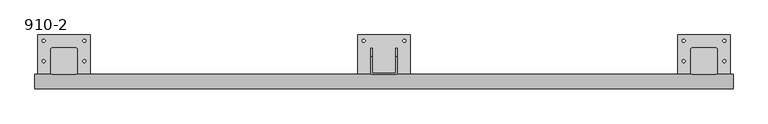
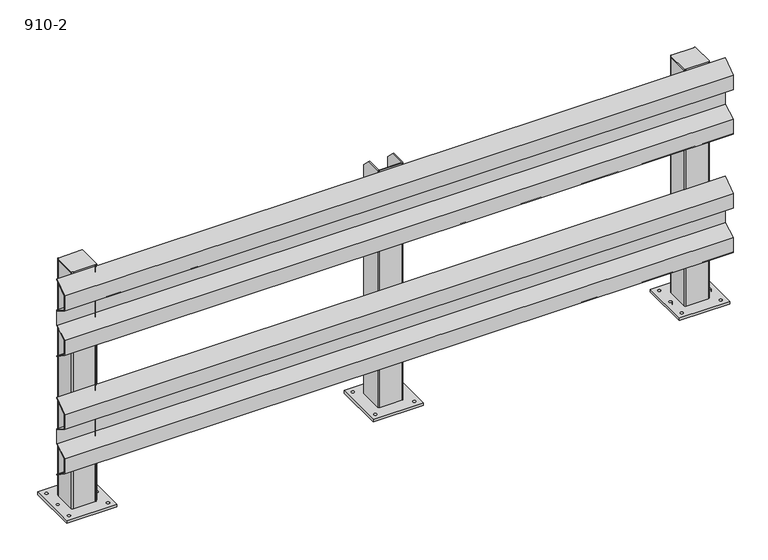
"""IFC4 building model written with IfcOpenShell, lengths in millimetres: proxy geometry, 910-2."""

from ifc_helpers import new_model, si_unit, point, frame, frame_2d, origin, origin_with_axes, place, context, project, spatial, polyline, circle_curve, trimmed, segment, composite_curve, outline, extrude, source, transform, mapped, element, save
from ifc_brep_helpers import plane_surface, cylinder_surface, revolved_surface, advanced_brep


def proxy_910_2_c6014837(model_context):
    return source(origin(), model_context, "Body", "SolidModel", [
        extrude(outline(polyline([(-45.0, 452.5500027), (-93.0, 418.5877822), (-93.0, 364.6001053), (-45.0, 336.1623259), (-45.0, 278.8381046), (-93.0, 250.4408827), (-93.0, 196.3636576), (-45.0, 162.4488566), (-45.0, 160.0), (-95.0, 195.3279177), (-95.0, 251.581456), (-47.0, 279.9786778), (-47.0, 335.0225816), (-95.0, 363.4603611), (-95.0, 419.622687), (-45.0, 455.0), (-45.0, 452.5500027)])), frame((-100.0, 0.0, 0.0), z_axis=(1.0, 0.0, 0.0), x_axis=(0.0, 1.0, 0.0)), (0.0, 0.0, 1.0), 2400.0),
        extrude(outline(polyline([(-45.0, 902.5500027), (-93.0, 868.5877822), (-93.0, 814.6001053), (-45.0, 786.1623259), (-45.0, 728.8381046), (-93.0, 700.4408827), (-93.0, 646.3636576), (-45.0, 612.4488566), (-45.0, 610.0), (-95.0, 645.3279177), (-95.0, 701.581456), (-47.0, 729.9786778), (-47.0, 785.0225816), (-95.0, 813.4603611), (-95.0, 869.622687), (-45.0, 905.0), (-45.0, 902.5500027)])), frame((-100.0, 0.0, 0.0), z_axis=(1.0, 0.0, 0.0), x_axis=(0.0, 1.0, 0.0)), (0.0, 0.0, 1.0), 2400.0),
        advanced_brep(
        [(1141.0, -45.0, 910.0), (1145.0, -41.0, 910.0), (1145.0, 15.0, 910.0), (1141.0, 15.0, 910.0), (1141.0, -39.0, 910.0), (1139.0, -41.0, 910.0), (1061.0, -41.0, 910.0), (1059.0, -39.0, 910.0), (1059.0, 15.0, 910.0), (1055.0, 15.0, 910.0), (1055.0, -41.0, 910.0), (1059.0, -45.0, 910.0), (1141.0, -45.0, 10.0), (1059.0, -45.0, 10.0), (1055.0, -41.0, 10.0), (1055.0, 45.0, 10.0), (1059.0, 45.0, 10.0), (1059.0, -39.0, 10.0), (1061.0, -41.0, 10.0), (1139.0, -41.0, 10.0), (1141.0, -39.0, 10.0), (1141.0, 45.0, 10.0), (1145.0, 45.0, 10.0), (1145.0, -41.0, 10.0), (1145.0, 45.0, 880.0), (1141.0, 45.0, 880.0), (1059.0, 45.0, 880.0), (1055.0, 45.0, 880.0)],
        [
            (0, 1, circle_curve(frame((1141.0, -41.0, 910.0), z_axis=(0.0, 0.0, 1.0), x_axis=(-1.0, 0.0, 0.0)), 4.0)),
            (1, 2),
            (2, 3),
            (3, 4),
            (4, 5, circle_curve(frame((1139.0, -39.0, 910.0), z_axis=(0.0, 0.0, -1.0), x_axis=(-1.0, 0.0, 0.0)), 2.0)),
            (5, 6),
            (6, 7, circle_curve(frame((1061.0, -39.0, 910.0), z_axis=(0.0, 0.0, -1.0), x_axis=(-1.0, 0.0, 0.0)), 2.0)),
            (7, 8),
            (8, 9),
            (9, 10),
            (10, 11, circle_curve(frame((1059.0, -41.0, 910.0), z_axis=(0.0, 0.0, 1.0), x_axis=(-1.0, 0.0, 0.0)), 4.0)),
            (11, 0),
            (12, 13),
            (13, 14, circle_curve(frame((1059.0, -41.0, 10.0), z_axis=(0.0, 0.0, -1.0), x_axis=(-1.0, 0.0, 0.0)), 4.0)),
            (14, 15),
            (15, 16),
            (16, 17),
            (17, 18, circle_curve(frame((1061.0, -39.0, 10.0), z_axis=(0.0, 0.0, 1.0), x_axis=(-1.0, 0.0, 0.0)), 2.0)),
            (18, 19),
            (19, 20, circle_curve(frame((1139.0, -39.0, 10.0), z_axis=(0.0, 0.0, 1.0), x_axis=(-1.0, 0.0, 0.0)), 2.0)),
            (20, 21),
            (21, 22),
            (22, 23),
            (23, 12, circle_curve(frame((1141.0, -41.0, 10.0), z_axis=(0.0, 0.0, -1.0), x_axis=(-1.0, 0.0, 0.0)), 4.0)),
            (0, 12),
            (23, 1),
            (22, 24),
            (24, 2),
            (21, 25),
            (25, 24),
            (20, 4),
            (3, 25),
            (5, 19),
            (18, 6),
            (17, 7),
            (16, 26),
            (26, 8),
            (15, 27),
            (27, 26),
            (14, 10),
            (9, 27),
            (13, 11),
        ],
        [
            plane_surface(frame((1137.0, -41.0, 910.0), z_axis=(0.0, 0.0, 1.0), x_axis=(0.0, -1.0, 0.0))),
            plane_surface(frame((1137.0, -41.0, 10.0), z_axis=(0.0, 0.0, -1.0), x_axis=(0.0, 1.0, 0.0))),
            cylinder_surface(frame((1141.0, -41.0, 10.0), z_axis=(0.0, 0.0, 1.0), x_axis=(-1.0, 0.0, 0.0)), 4.0),
            plane_surface(frame((1145.0, -41.0, 910.0), z_axis=(1.0, 0.0, 0.0), x_axis=(0.0, 0.0, -1.0))),
            plane_surface(frame((1145.0, 45.0, 910.0), z_axis=(0.0, 1.0, 0.0), x_axis=(0.0, 0.0, -1.0))),
            plane_surface(frame((1141.0, 45.0, 910.0), z_axis=(-1.0, 0.0, 0.0), x_axis=(0.0, 0.0, -1.0))),
            plane_surface(frame((1139.0, -41.0, 910.0), z_axis=(0.0, 1.0, 0.0), x_axis=(0.0, 0.0, -1.0))),
            revolved_surface(polyline([(1059.0, -39.0, 10.0), (1059.0, -39.0, 910.0)]), (1061.0, -39.0, 10.0), (0.0, 0.0, -1.0)),
            plane_surface(frame((1059.0, -39.0, 910.0), z_axis=(1.0, 0.0, 0.0), x_axis=(0.0, 0.0, -1.0))),
            plane_surface(frame((1059.0, 45.0, 910.0), z_axis=(0.0, 1.0, 0.0), x_axis=(0.0, 0.0, -1.0))),
            plane_surface(frame((1055.0, 45.0, 910.0), z_axis=(-1.0, 0.0, 0.0), x_axis=(0.0, 0.0, -1.0))),
            cylinder_surface(frame((1059.0, -41.0, 10.0), z_axis=(0.0, 0.0, 1.0), x_axis=(-1.0, 0.0, 0.0)), 4.0),
            plane_surface(frame((1059.0, -45.0, 910.0), z_axis=(0.0, -1.0, 0.0), x_axis=(0.0, 0.0, -1.0))),
            plane_surface(frame((1145.0, 15.0, 910.0), z_axis=(0.0, 0.7071067811865482, 0.7071067811865469), x_axis=(-1.0, 0.0, 0.0))),
            plane_surface(frame((1059.0, 15.0, 910.0), z_axis=(0.0, 0.7071067811865539, 0.7071067811865411), x_axis=(-1.0, 0.0, 0.0))),
            revolved_surface(polyline([(1137.0, -39.0, 10.0), (1137.0, -39.0, 910.0)]), (1139.0, -39.0, 10.0), (0.0, 0.0, -1.0)),
        ],
        [
            (0, [[1, 2, 3, 4, 5, 6, 7, 8, 9, 10, 11, 12]]),
            (1, [[13, 14, 15, 16, 17, 18, 19, 20, 21, 22, 23, 24]]),
            (2, [[-1, 25, -24, 26]]),
            (3, [[-23, 27, 28, -2, -26]]),
            (4, [[-22, 29, 30, -27]]),
            (5, [[-21, 31, -4, 32, -29]]),
            (6, [[-6, 33, -19, 34]]),
            (7, [[-7, -34, -18, 35]]),
            (8, [[-17, 36, 37, -8, -35]]),
            (9, [[-16, 38, 39, -36]]),
            (10, [[-15, 40, -10, 41, -38]]),
            (11, [[-11, -40, -14, 42]]),
            (12, [[-12, -42, -13, -25]]),
            (13, [[-3, -28, -30, -32]]),
            (14, [[-9, -37, -39, -41]]),
            (15, [[-5, -31, -20, -33]]),
        ],
    ),
        extrude(outline(polyline([(1190.0, 90.0), (1190.0, -90.0), (1010.0, -90.0), (1010.0, 90.0), (1190.0, 90.0)]), holes=[composite_curve([segment(trimmed(circle_curve(frame_2d((1030.0, 70.0)), 5.0), [point((1025.0, 70.0))], [point((1035.0, 70.0))], True, "CARTESIAN"), True, "CONTINUOUS"), segment(trimmed(circle_curve(frame_2d((1030.0, 70.0)), 5.0), [point((1035.0, 70.0))], [point((1025.0, 70.0))], True, "CARTESIAN"), True, "CONTINUOUS")], self_intersect=False), composite_curve([segment(trimmed(circle_curve(frame_2d((1170.0, 70.0)), 5.0), [point((1165.0, 70.0))], [point((1175.0, 70.0))], True, "CARTESIAN"), True, "CONTINUOUS"), segment(trimmed(circle_curve(frame_2d((1170.0, 70.0)), 5.0), [point((1175.0, 70.0))], [point((1165.0, 70.0))], True, "CARTESIAN"), True, "CONTINUOUS")], self_intersect=False), composite_curve([segment(trimmed(circle_curve(frame_2d((1030.0, -70.0)), 5.0), [point((1025.0, -70.0))], [point((1035.0, -70.0))], True, "CARTESIAN"), True, "CONTINUOUS"), segment(trimmed(circle_curve(frame_2d((1030.0, -70.0)), 5.0), [point((1035.0, -70.0))], [point((1025.0, -70.0))], True, "CARTESIAN"), True, "CONTINUOUS")], self_intersect=False), composite_curve([segment(trimmed(circle_curve(frame_2d((1170.0, -70.0)), 5.0), [point((1165.0, -70.0))], [point((1175.0, -70.0))], True, "CARTESIAN"), True, "CONTINUOUS"), segment(trimmed(circle_curve(frame_2d((1170.0, -70.0)), 5.0), [point((1175.0, -70.0))], [point((1165.0, -70.0))], True, "CARTESIAN"), True, "CONTINUOUS")], self_intersect=False)]), origin_with_axes(), (0.0, 0.0, 1.0), 10.0),
        extrude(outline(composite_curve([segment(trimmed(circle_curve(frame_2d((2241.0, 41.0)), 4.0), [point((2241.0, 45.0))], [point((2245.0, 41.0))], False, "CARTESIAN"), True, "CONTINUOUS"), segment(polyline([(2245.0, 41.0), (2245.0, -41.0)]), True, "CONTINUOUS"), segment(trimmed(circle_curve(frame_2d((2241.0, -41.0)), 4.0), [point((2245.0, -41.0))], [point((2241.0, -45.0))], False, "CARTESIAN"), True, "CONTINUOUS"), segment(polyline([(2241.0, -45.0), (2159.0, -45.0)]), True, "CONTINUOUS"), segment(trimmed(circle_curve(frame_2d((2159.0, -41.0)), 4.0), [point((2159.0, -45.0))], [point((2155.0, -41.0))], False, "CARTESIAN"), True, "CONTINUOUS"), segment(polyline([(2155.0, -41.0), (2155.0, 41.0)]), True, "CONTINUOUS"), segment(trimmed(circle_curve(frame_2d((2159.0, 41.0)), 4.0), [point((2155.0, 41.0))], [point((2159.0, 45.0))], False, "CARTESIAN"), True, "CONTINUOUS"), segment(polyline([(2159.0, 45.0), (2241.0, 45.0)]), True, "CONTINUOUS")], self_intersect=False)), frame((0.0, 0.0, 905.0), z_axis=(0.0, 0.0, 1.0), x_axis=(1.0, 0.0, 0.0)), (0.0, 0.0, 1.0), 5.0),
        extrude(outline(composite_curve([segment(polyline([(2155.0, -41.0), (2155.0, 41.0)]), True, "CONTINUOUS"), segment(trimmed(circle_curve(frame_2d((2159.0, 41.0)), 4.0), [point((2155.0, 41.0))], [point((2159.0, 45.0))], False, "CARTESIAN"), True, "CONTINUOUS"), segment(polyline([(2159.0, 45.0), (2241.0, 45.0)]), True, "CONTINUOUS"), segment(trimmed(circle_curve(frame_2d((2241.0, 41.0)), 4.0), [point((2241.0, 45.0))], [point((2245.0, 41.0))], False, "CARTESIAN"), True, "CONTINUOUS"), segment(polyline([(2245.0, 41.0), (2245.0, -41.0)]), True, "CONTINUOUS"), segment(trimmed(circle_curve(frame_2d((2241.0, -41.0)), 4.0), [point((2245.0, -41.0))], [point((2241.0, -45.0))], False, "CARTESIAN"), True, "CONTINUOUS"), segment(polyline([(2241.0, -45.0), (2159.0, -45.0)]), True, "CONTINUOUS"), segment(trimmed(circle_curve(frame_2d((2159.0, -41.0)), 4.0), [point((2159.0, -45.0))], [point((2155.0, -41.0))], False, "CARTESIAN"), True, "CONTINUOUS")], self_intersect=False), holes=[composite_curve([segment(polyline([(2239.0, 41.0), (2161.0, 41.0)]), True, "CONTINUOUS"), segment(trimmed(circle_curve(frame_2d((2161.0, 39.0)), 2.0), [point((2161.0, 41.0))], [point((2159.0, 39.0))], True, "CARTESIAN"), True, "CONTINUOUS"), segment(polyline([(2159.0, 39.0), (2159.0, -39.0)]), True, "CONTINUOUS"), segment(trimmed(circle_curve(frame_2d((2161.0, -39.0)), 2.0), [point((2159.0, -39.0))], [point((2161.0, -41.0))], True, "CARTESIAN"), True, "CONTINUOUS"), segment(polyline([(2161.0, -41.0), (2239.0, -41.0)]), True, "CONTINUOUS"), segment(trimmed(circle_curve(frame_2d((2239.0, -39.0)), 2.0), [point((2239.0, -41.0))], [point((2241.0, -39.0))], True, "CARTESIAN"), True, "CONTINUOUS"), segment(polyline([(2241.0, -39.0), (2241.0, 39.0)]), True, "CONTINUOUS"), segment(trimmed(circle_curve(frame_2d((2239.0, 39.0)), 2.0), [point((2241.0, 39.0))], [point((2239.0, 41.0))], True, "CARTESIAN"), True, "CONTINUOUS")], self_intersect=False)]), frame((0.0, 0.0, 10.0), z_axis=(0.0, 0.0, 1.0), x_axis=(1.0, 0.0, 0.0)), (0.0, 0.0, 1.0), 895.0),
        extrude(outline(polyline([(2290.0, 90.0), (2290.0, -90.0), (2110.0, -90.0), (2110.0, 90.0), (2290.0, 90.0)]), holes=[composite_curve([segment(trimmed(circle_curve(frame_2d((2130.0, 70.0)), 5.0), [point((2125.0, 70.0))], [point((2135.0, 70.0))], True, "CARTESIAN"), True, "CONTINUOUS"), segment(trimmed(circle_curve(frame_2d((2130.0, 70.0)), 5.0), [point((2135.0, 70.0))], [point((2125.0, 70.0))], True, "CARTESIAN"), True, "CONTINUOUS")], self_intersect=False), composite_curve([segment(trimmed(circle_curve(frame_2d((2130.0, 0.0)), 5.0), [point((2125.0, 0.0))], [point((2135.0, 0.0))], True, "CARTESIAN"), True, "CONTINUOUS"), segment(trimmed(circle_curve(frame_2d((2130.0, 0.0)), 5.0), [point((2135.0, 0.0))], [point((2125.0, 0.0))], True, "CARTESIAN"), True, "CONTINUOUS")], self_intersect=False), composite_curve([segment(trimmed(circle_curve(frame_2d((2130.0, -70.0)), 5.0), [point((2125.0, -70.0))], [point((2135.0, -70.0))], True, "CARTESIAN"), True, "CONTINUOUS"), segment(trimmed(circle_curve(frame_2d((2130.0, -70.0)), 5.0), [point((2135.0, -70.0))], [point((2125.0, -70.0))], True, "CARTESIAN"), True, "CONTINUOUS")], self_intersect=False), composite_curve([segment(trimmed(circle_curve(frame_2d((2270.0, -70.0)), 5.0), [point((2265.0, -70.0))], [point((2275.0, -70.0))], True, "CARTESIAN"), True, "CONTINUOUS"), segment(trimmed(circle_curve(frame_2d((2270.0, -70.0)), 5.0), [point((2275.0, -70.0))], [point((2265.0, -70.0))], True, "CARTESIAN"), True, "CONTINUOUS")], self_intersect=False), composite_curve([segment(trimmed(circle_curve(frame_2d((2270.0, 0.0)), 5.0), [point((2265.0, 0.0))], [point((2275.0, 0.0))], True, "CARTESIAN"), True, "CONTINUOUS"), segment(trimmed(circle_curve(frame_2d((2270.0, 0.0)), 5.0), [point((2275.0, 0.0))], [point((2265.0, 0.0))], True, "CARTESIAN"), True, "CONTINUOUS")], self_intersect=False), composite_curve([segment(trimmed(circle_curve(frame_2d((2270.0, 70.0)), 5.0), [point((2265.0, 70.0))], [point((2275.0, 70.0))], True, "CARTESIAN"), True, "CONTINUOUS"), segment(trimmed(circle_curve(frame_2d((2270.0, 70.0)), 5.0), [point((2275.0, 70.0))], [point((2265.0, 70.0))], True, "CARTESIAN"), True, "CONTINUOUS")], self_intersect=False)]), origin_with_axes(), (0.0, 0.0, 1.0), 10.0),
        extrude(outline(composite_curve([segment(trimmed(circle_curve(frame_2d((41.0, 41.0)), 4.0), [point((41.0, 45.0))], [point((45.0, 41.0))], False, "CARTESIAN"), True, "CONTINUOUS"), segment(polyline([(45.0, 41.0), (45.0, -41.0)]), True, "CONTINUOUS"), segment(trimmed(circle_curve(frame_2d((41.0, -41.0)), 4.0), [point((45.0, -41.0))], [point((41.0, -45.0))], False, "CARTESIAN"), True, "CONTINUOUS"), segment(polyline([(41.0, -45.0), (-41.0, -45.0)]), True, "CONTINUOUS"), segment(trimmed(circle_curve(frame_2d((-41.0, -41.0)), 4.0), [point((-41.0, -45.0))], [point((-45.0, -41.0))], False, "CARTESIAN"), True, "CONTINUOUS"), segment(polyline([(-45.0, -41.0), (-45.0, 41.0)]), True, "CONTINUOUS"), segment(trimmed(circle_curve(frame_2d((-41.0, 41.0)), 4.0), [point((-45.0, 41.0))], [point((-41.0, 45.0))], False, "CARTESIAN"), True, "CONTINUOUS"), segment(polyline([(-41.0, 45.0), (41.0, 45.0)]), True, "CONTINUOUS")], self_intersect=False)), frame((0.0, 0.0, 905.0), z_axis=(0.0, 0.0, 1.0), x_axis=(1.0, 0.0, 0.0)), (0.0, 0.0, 1.0), 5.0),
        extrude(outline(composite_curve([segment(polyline([(-45.0, -41.0), (-45.0, 41.0)]), True, "CONTINUOUS"), segment(trimmed(circle_curve(frame_2d((-41.0, 41.0)), 4.0), [point((-45.0, 41.0))], [point((-41.0, 45.0))], False, "CARTESIAN"), True, "CONTINUOUS"), segment(polyline([(-41.0, 45.0), (41.0, 45.0)]), True, "CONTINUOUS"), segment(trimmed(circle_curve(frame_2d((41.0, 41.0)), 4.0), [point((41.0, 45.0))], [point((45.0, 41.0))], False, "CARTESIAN"), True, "CONTINUOUS"), segment(polyline([(45.0, 41.0), (45.0, -41.0)]), True, "CONTINUOUS"), segment(trimmed(circle_curve(frame_2d((41.0, -41.0)), 4.0), [point((45.0, -41.0))], [point((41.0, -45.0))], False, "CARTESIAN"), True, "CONTINUOUS"), segment(polyline([(41.0, -45.0), (-41.0, -45.0)]), True, "CONTINUOUS"), segment(trimmed(circle_curve(frame_2d((-41.0, -41.0)), 4.0), [point((-41.0, -45.0))], [point((-45.0, -41.0))], False, "CARTESIAN"), True, "CONTINUOUS")], self_intersect=False), holes=[composite_curve([segment(polyline([(39.0, 41.0), (-39.0, 41.0)]), True, "CONTINUOUS"), segment(trimmed(circle_curve(frame_2d((-39.0, 39.0)), 2.0), [point((-39.0, 41.0))], [point((-41.0, 39.0))], True, "CARTESIAN"), True, "CONTINUOUS"), segment(polyline([(-41.0, 39.0), (-41.0, -39.0)]), True, "CONTINUOUS"), segment(trimmed(circle_curve(frame_2d((-39.0, -39.0)), 2.0), [point((-41.0, -39.0))], [point((-39.0, -41.0))], True, "CARTESIAN"), True, "CONTINUOUS"), segment(polyline([(-39.0, -41.0), (39.0, -41.0)]), True, "CONTINUOUS"), segment(trimmed(circle_curve(frame_2d((39.0, -39.0)), 2.0), [point((39.0, -41.0))], [point((41.0, -39.0))], True, "CARTESIAN"), True, "CONTINUOUS"), segment(polyline([(41.0, -39.0), (41.0, 39.0)]), True, "CONTINUOUS"), segment(trimmed(circle_curve(frame_2d((39.0, 39.0)), 2.0), [point((41.0, 39.0))], [point((39.0, 41.0))], True, "CARTESIAN"), True, "CONTINUOUS")], self_intersect=False)]), frame((0.0, 0.0, 10.0), z_axis=(0.0, 0.0, 1.0), x_axis=(1.0, 0.0, 0.0)), (0.0, 0.0, 1.0), 895.0),
        extrude(outline(polyline([(90.0, 90.0), (90.0, -90.0), (-90.0, -90.0), (-90.0, 90.0), (90.0, 90.0)]), holes=[composite_curve([segment(trimmed(circle_curve(frame_2d((-70.0, 70.0)), 5.0), [point((-75.0, 70.0))], [point((-65.0, 70.0))], True, "CARTESIAN"), True, "CONTINUOUS"), segment(trimmed(circle_curve(frame_2d((-70.0, 70.0)), 5.0), [point((-65.0, 70.0))], [point((-75.0, 70.0))], True, "CARTESIAN"), True, "CONTINUOUS")], self_intersect=False), composite_curve([segment(trimmed(circle_curve(frame_2d((-70.0, 0.0)), 5.0), [point((-75.0, 0.0))], [point((-65.0, 0.0))], True, "CARTESIAN"), True, "CONTINUOUS"), segment(trimmed(circle_curve(frame_2d((-70.0, 0.0)), 5.0), [point((-65.0, 0.0))], [point((-75.0, 0.0))], True, "CARTESIAN"), True, "CONTINUOUS")], self_intersect=False), composite_curve([segment(trimmed(circle_curve(frame_2d((-70.0, -70.0)), 5.0), [point((-75.0, -70.0))], [point((-65.0, -70.0))], True, "CARTESIAN"), True, "CONTINUOUS"), segment(trimmed(circle_curve(frame_2d((-70.0, -70.0)), 5.0), [point((-65.0, -70.0))], [point((-75.0, -70.0))], True, "CARTESIAN"), True, "CONTINUOUS")], self_intersect=False), composite_curve([segment(trimmed(circle_curve(frame_2d((70.0, -70.0)), 5.0), [point((65.0, -70.0))], [point((75.0, -70.0))], True, "CARTESIAN"), True, "CONTINUOUS"), segment(trimmed(circle_curve(frame_2d((70.0, -70.0)), 5.0), [point((75.0, -70.0))], [point((65.0, -70.0))], True, "CARTESIAN"), True, "CONTINUOUS")], self_intersect=False), composite_curve([segment(trimmed(circle_curve(frame_2d((70.0, 0.0)), 5.0), [point((65.0, 0.0))], [point((75.0, 0.0))], True, "CARTESIAN"), True, "CONTINUOUS"), segment(trimmed(circle_curve(frame_2d((70.0, 0.0)), 5.0), [point((75.0, 0.0))], [point((65.0, 0.0))], True, "CARTESIAN"), True, "CONTINUOUS")], self_intersect=False), composite_curve([segment(trimmed(circle_curve(frame_2d((70.0, 70.0)), 5.0), [point((65.0, 70.0))], [point((75.0, 70.0))], True, "CARTESIAN"), True, "CONTINUOUS"), segment(trimmed(circle_curve(frame_2d((70.0, 70.0)), 5.0), [point((75.0, 70.0))], [point((65.0, 70.0))], True, "CARTESIAN"), True, "CONTINUOUS")], self_intersect=False)]), origin_with_axes(), (0.0, 0.0, 1.0), 10.0),
    ])


if __name__ == "__main__":
    model = new_model("IFC4")
    model_context = context("Model", 3, world=origin())
    ifc_project = project(units=[si_unit("LENGTHUNIT", "METRE", prefix="MILLI")], contexts=[model_context])
    site = spatial("IfcSite", under=ifc_project)
    building = spatial("IfcBuilding", under=site)
    placement = place(None, origin())
    proxy_910_2_shape = proxy_910_2_c6014837(model_context)
    element("IfcBuildingElementProxy", 1, Name="910-2", ObjectType="910-2", at=placement, inside=building, context=model_context, shape_type="MappedRepresentation", body=[
        mapped(proxy_910_2_shape, transform((0.0, 0.0, 0.0), x_axis=(1.0, 0.0, 0.0), y_axis=(0.0, 1.0, 0.0), z_axis=(0.0, 0.0, 1.0))),
    ])
    save(model, "model.ifc")
